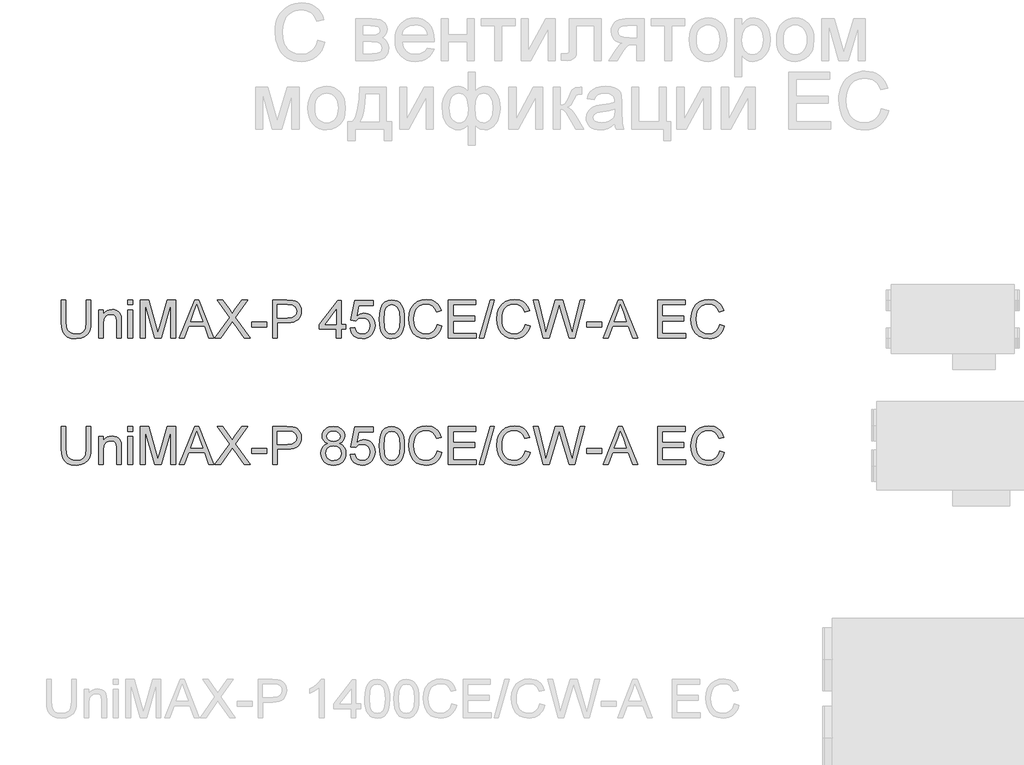
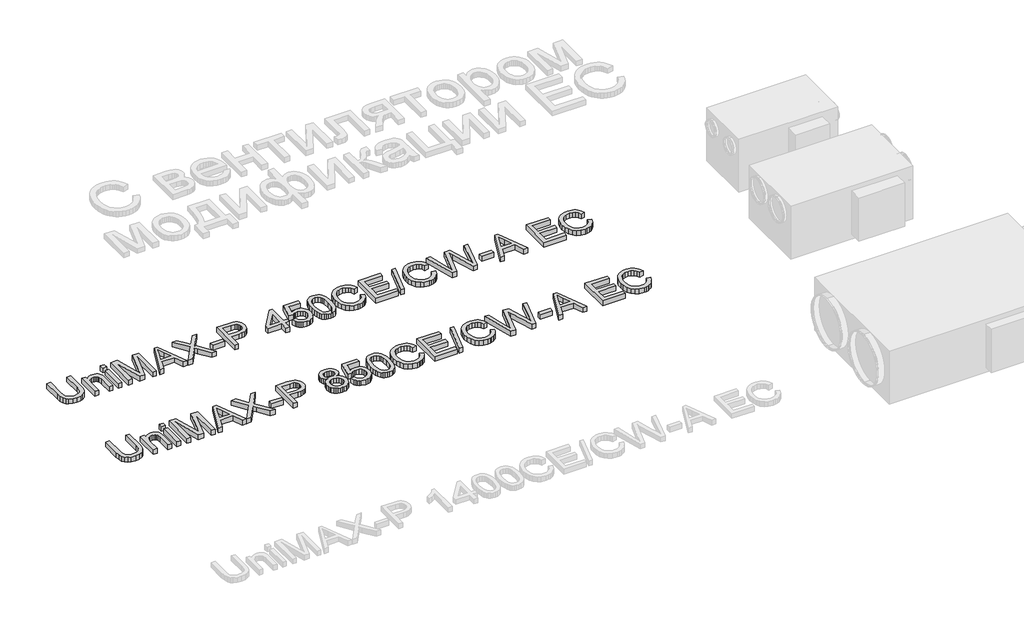
# One storey, part 9 of 74: 2 proxies.
"""IFC4 building model written with IfcOpenShell, lengths in millimetres."""

from ifc_helpers import new_model, si_unit, origin, origin_with_axes, place, context, project, spatial, polyline, outline, extrude, element, save

model = new_model("IFC4")

# Units and contexts
model_context = context("Model", 3, world=origin())
ifc_project = project(units=[si_unit("LENGTHUNIT", "METRE", prefix="MILLI")], contexts=[model_context])

# Site, building, storey
site = spatial("IfcSite", under=ifc_project)
building = spatial("IfcBuilding", under=site)
storey = spatial("IfcBuildingStorey", under=building, Elevation=0.0)

# Proxies
placement = place(None, origin())
element("IfcBuildingElementProxy", 1, Name="Generic Models", at=placement, inside=storey, context=model_context, shape_type="SweptSolid", body=[
    extrude(outline(polyline([(34632.348332, -37731.9528304), (34670.0194483, -37731.9528304), (34670.0194483, -37905.8138613), (34667.4626684, -37946.5292011), (34659.7923288, -37977.8819441), (34645.4633251, -38002.0701853), (34622.9305529, -38021.2920196), (34592.1388299, -38033.8459926), (34553.0329738, -38038.0306503), (34514.7824434, -38034.3886186), (34484.2022526, -38023.4625233), (34461.2832043, -38005.6294436), (34446.0161015, -37981.2664585), (34437.4352539, -37948.5893403), (34434.5749714, -37905.8138613), (34434.5749714, -37731.9528304), (34472.2460877, -37731.9528304), (34472.2460877, -37904.4894861), (34474.1038918, -37938.3438267), (34479.677304, -37961.9158655), (34489.7756648, -37978.2406291), (34505.2083145, -37990.3531438), (34525.3314596, -37997.8579365), (34549.5013067, -38000.359534), (34587.8162165, -37995.4115212), (34602.1590158, -37989.2265052), (34613.2920447, -37980.5674827), (34621.6291704, -37968.3905887), (34627.5842602, -37951.6519579), (34632.348332, -37904.4894861), (34632.348332, -37731.9528304)])), origin_with_axes(), (0.0, 0.0, 1.0), 50.0),
    extrude(outline(polyline([(34731.2350123, -38033.3217608), (34731.2350123, -37812.0039525), (34768.9061286, -37812.0039525), (34768.9061286, -37842.9060401), (34781.9935306, -37827.3262376), (34797.7112888, -37816.1978072), (34816.0594033, -37809.520749), (34837.0378741, -37807.295063), (34855.6067178, -37809.0884877), (34872.6120631, -37814.4687619), (34886.793914, -37822.7645009), (34896.8922747, -37833.30432), (34908.186252, -37861.0058343), (34910.1728148, -37897.4261518), (34910.1728148, -38033.3217608), (34872.5016985, -38033.3217608), (34872.5016985, -37902.5029233), (34868.1606909, -37869.1728146), (34862.1550173, -37859.2491977), (34852.8200117, -37851.551267), (34840.8546498, -37846.6124512), (34826.9579075, -37844.9661793), (34804.8941848, -37848.6633933), (34786.0862178, -37859.7550355), (34778.5699288, -37868.8095311), (34773.2011509, -37881.1841617), (34768.9061286, -37915.8938279), (34768.9061286, -38033.3217608), (34731.2350123, -38033.3217608)])), origin_with_axes(), (0.0, 0.0, 1.0), 50.0),
    extrude(outline(polyline([(34961.9705997, -38033.3217608), (34961.9705997, -37812.0039525), (34999.641716, -37812.0039525), (34999.641716, -38033.3217608), (34961.9705997, -38033.3217608)])), origin_with_axes(), (0.0, 0.0, 1.0), 50.0),
    extrude(outline(polyline([(34961.9705997, -37769.6239467), (34961.9705997, -37731.9528304), (34999.641716, -37731.9528304), (34999.641716, -37769.6239467), (34961.9705997, -37769.6239467)])), origin_with_axes(), (0.0, 0.0, 1.0), 50.0),
    extrude(outline(polyline([(35060.85728, -38033.3217608), (35060.85728, -37731.9528304), (35125.6780875, -37731.9528304), (35187.3351099, -37944.3678944), (35199.7695214, -37988.734463), (35213.2340024, -37940.6890744), (35273.8609552, -37731.9528304), (35338.6817627, -37731.9528304), (35338.6817627, -38033.3217608), (35301.0106464, -38033.3217608), (35301.0106464, -37769.6239467), (35225.3005318, -38033.3217608), (35174.2385109, -38033.3217608), (35098.5283963, -37769.6239467), (35098.5283963, -38033.3217608), (35060.85728, -38033.3217608)])), origin_with_axes(), (0.0, 0.0, 1.0), 50.0),
    extrude(outline(polyline([(35369.5102739, -38033.3217608), (35489.8076864, -37731.9528304), (35521.8869963, -37731.9528304), (35642.1844088, -38033.3217608), (35602.3795769, -38033.3217608), (35567.8722457, -37939.14397), (35443.7488606, -37939.14397), (35409.3151058, -38033.3217608), (35369.5102739, -38033.3217608)]), holes=[polyline([(35457.5812236, -37901.4728537), (35554.1134591, -37901.4728537), (35526.9637679, -37827.3814199), (35505.8473414, -37769.6239467), (35487.0853596, -37820.9066968), (35457.5812236, -37901.4728537)])]), origin_with_axes(), (0.0, 0.0, 1.0), 50.0),
    extrude(outline(polyline([(35649.4684723, -38033.3217608), (35765.6456063, -37869.0992382), (35668.3040304, -37731.9528304), (35713.4799394, -37731.9528304), (35768.2943567, -37809.1344729), (35786.7620329, -37839.2272201), (35808.3934942, -37808.6194381), (35862.6193003, -37731.9528304), (35908.4573969, -37731.9528304), (35811.115821, -37869.5406965), (35927.292955, -38033.3217608), (35882.117046, -38033.3217608), (35804.7146742, -37924.1343846), (35788.6014428, -37901.4728537), (35770.8695307, -37926.3416766), (35695.3065689, -38033.3217608), (35649.4684723, -38033.3217608)])), origin_with_axes(), (0.0, 0.0, 1.0), 50.0),
    extrude(outline(polyline([(35941.4196236, -37943.8528596), (35941.4196236, -37906.1817433), (36059.1418621, -37906.1817433), (36059.1418621, -37943.8528596), (35941.4196236, -37943.8528596)])), origin_with_axes(), (0.0, 0.0, 1.0), 50.0),
    extrude(outline(polyline([(36106.2307575, -38033.3217608), (36106.2307575, -37731.9528304), (36217.9197312, -37731.9528304), (36262.9484874, -37734.8223099), (36283.0256473, -37740.18419), (36299.5527459, -37748.9121903), (36312.8608771, -37761.4017841), (36323.2811346, -37778.0484443), (36330.0133752, -37797.6841458), (36332.2574553, -37819.1408632), (36330.7422414, -37837.640729), (36326.1965995, -37854.6598698), (36318.6205296, -37870.1982856), (36308.0140318, -37884.2559764), (36293.4528026, -37895.9086386), (36274.0125384, -37904.2319687), (36249.6932393, -37909.2259668), (36220.4949052, -37910.8906328), (36143.9018738, -37910.8906328), (36143.9018738, -38033.3217608), (36106.2307575, -38033.3217608)]), holes=[polyline([(36143.9018738, -37873.2195165), (36222.7021972, -37873.2195165), (36256.1058823, -37869.7614257), (36278.178802, -37859.3871535), (36290.4844548, -37842.7404932), (36294.586339, -37820.4652384), (36292.1675149, -37803.5426666), (36284.9110425, -37789.2688452), (36273.7182328, -37778.5266909), (36259.4903967, -37772.1991206), (36221.8192804, -37769.6239467), (36143.9018738, -37769.6239467), (36143.9018738, -37873.2195165)])]), origin_with_axes(), (0.0, 0.0, 1.0), 50.0),
    extrude(outline(polyline([(36610.0819381, -38033.3217608), (36610.0819381, -37962.6884177), (36473.5241415, -37962.6884177), (36473.5241415, -37925.0173014), (36619.4997172, -37736.6617199), (36647.7530544, -37736.6617199), (36647.7530544, -37925.0173014), (36685.4241707, -37925.0173014), (36685.4241707, -37962.6884177), (36647.7530544, -37962.6884177), (36647.7530544, -38033.3217608), (36610.0819381, -38033.3217608)]), holes=[polyline([(36610.0819381, -37925.0173014), (36610.0819381, -37808.6194381), (36519.8772729, -37925.0173014), (36610.0819381, -37925.0173014)])]), origin_with_axes(), (0.0, 0.0, 1.0), 50.0),
    extrude(outline(polyline([(36718.3863975, -37953.2706387), (36756.0575138, -37948.5617491), (36762.9736953, -37971.1772948), (36775.0402247, -37987.3732996), (36792.2019198, -37997.1129754), (36814.4035982, -38000.359534), (36841.4061366, -37995.8437825), (36861.6396464, -37982.2965281), (36874.2763929, -37961.2812691), (36878.4886418, -37934.3615041), (36874.5431074, -37909.0144346), (36862.7065042, -37889.6270535), (36842.8868617, -37877.3214007), (36814.9922094, -37873.2195165), (36796.7176713, -37874.8565914), (36781.919618, -37879.767816), (36760.7664033, -37896.7639642), (36723.095287, -37892.0550747), (36756.0575138, -37736.6617199), (36902.0330895, -37736.6617199), (36902.0330895, -37774.3328362), (36786.518143, -37774.3328362), (36770.4049116, -37857.3270143), (36797.3154795, -37840.9930537), (36825.5136345, -37835.5484002), (36843.8594497, -37837.2360588), (36860.7107443, -37842.2990348), (36876.0675184, -37850.7373281), (36889.9297718, -37862.5509386), (36901.4053908, -37877.0178981), (36909.6022615, -37893.416238), (36914.5203839, -37911.7459584), (36916.1597581, -37932.0070593), (36910.255252, -37969.6781756), (36902.8746195, -37986.4719887), (36892.541734, -38001.9046384), (36876.8883551, -38017.7097686), (36858.623014, -38028.9991474), (36837.7457108, -38035.7727746), (36814.2564454, -38038.0306503), (36777.2567137, -38032.2273119), (36761.578043, -38024.9731388), (36747.7801689, -38014.8172964), (36736.2999514, -38002.2656226), (36727.5742503, -37987.823955), (36718.3863975, -37953.2706387)])), origin_with_axes(), (0.0, 0.0, 1.0), 50.0),
    extrude(outline(polyline([(36949.1219848, -37885.0653167), (36951.8902968, -37836.8267901), (36960.1952329, -37798.3555305), (36973.9540195, -37769.0629266), (36993.0838833, -37748.3603673), (37017.7227799, -37736.0547146), (37048.0086651, -37731.9528304), (37071.222019, -37734.3808515), (37092.0073518, -37741.664915), (37109.389776, -37753.5199123), (37122.3944046, -37769.6607349), (37132.2168538, -37789.9494269), (37140.0527403, -37814.2480327), (37145.1846942, -37845.104135), (37146.8953454, -37885.0653167), (37144.1546246, -37933.0279319), (37135.932462, -37971.407221), (37122.2564488, -38000.727416), (37103.1541762, -38021.5127488), (37078.4600973, -38033.9011749), (37048.0086651, -38038.0306503), (37027.2601206, -38036.2372256), (37008.8660209, -38030.8569514), (36992.8263659, -38021.8898278), (36979.1411556, -38009.3358547), (36966.0077684, -37986.6421341), (36956.6267775, -37958.3658043), (36950.998183, -37924.5068652), (36949.1219848, -37885.0653167)]), holes=[polyline([(36986.7931011, -37884.9917403), (36991.2076851, -37944.2483327), (36996.725915, -37964.5163314), (37004.4514369, -37978.5441317), (37024.1699118, -37994.9056835), (37048.0086651, -38000.359534), (37071.8474184, -37994.8872894), (37091.5658934, -37978.4705553), (37099.2914153, -37964.4197624), (37104.8096452, -37944.1563622), (37109.2242291, -37884.9917403), (37104.956798, -37827.0687202), (37099.6225091, -37806.8674001), (37092.1545046, -37792.5062068), (37072.4728178, -37775.3445117), (37047.5672067, -37769.6239467), (37023.9859709, -37774.66393), (37005.0400481, -37789.78388), (36997.0570088, -37805.4188648), (36991.3548379, -37826.4985031), (36986.7931011, -37884.9917403)])]), origin_with_axes(), (0.0, 0.0, 1.0), 50.0),
    extrude(outline(polyline([(37405.88427, -37926.1945238), (37443.5553864, -37935.9066085), (37436.1011774, -37959.3337938), (37426.1729621, -37979.8041276), (37413.7707403, -37997.3176098), (37398.8945121, -38011.8742405), (37381.8799699, -38023.3176698), (37363.0628058, -38031.4915479), (37342.44302, -38036.3958747), (37320.0206124, -38038.0306503), (37276.3254284, -38033.0826375), (37241.6249592, -38018.238599), (37215.0270909, -37994.0135696), (37195.6397098, -37960.9225842), (37183.8031066, -37922.0190632), (37179.8575722, -37880.3564272), (37184.3181414, -37836.4129229), (37197.699849, -37798.4658951), (37219.3037191, -37767.7201573), (37248.4307761, -37745.3805232), (37282.9748955, -37731.7780864), (37320.8299528, -37727.2439408), (37362.1339038, -37733.1116586), (37380.10264, -37740.4463059), (37396.28255, -37750.7148121), (37410.4069193, -37763.6458642), (37422.2090336, -37778.9681493), (37438.8464968, -37816.7864184), (37401.1753805, -37825.7627391), (37388.1155697, -37798.2911511), (37370.2732929, -37779.4463959), (37347.427821, -37768.5478918), (37319.3584248, -37764.9150571), (37287.0032033, -37768.943365), (37260.4237292, -37781.0282885), (37240.2545988, -37799.9006349), (37227.1304086, -37824.2912111), (37219.9291185, -37851.8639667), (37217.5286885, -37880.2828508), (37220.3705769, -37915.0844876), (37228.8962422, -37945.1772348), (37243.427581, -37969.4114612), (37264.2864901, -37986.6375356), (37289.2932687, -37996.9290344), (37316.268216, -38000.359534), (37347.7129296, -37995.6874327), (37373.9153247, -37981.6711287), (37393.698179, -37958.4577748), (37405.88427, -37926.1945238)])), origin_with_axes(), (0.0, 0.0, 1.0), 50.0),
    extrude(outline(polyline([(37495.3531713, -38033.3217608), (37495.3531713, -37731.9528304), (37711.96209, -37731.9528304), (37711.96209, -37769.6239467), (37533.0242876, -37769.6239467), (37533.0242876, -37859.0928479), (37702.544311, -37859.0928479), (37702.544311, -37896.7639642), (37533.0242876, -37896.7639642), (37533.0242876, -37995.6506445), (37716.6709796, -37995.6506445), (37716.6709796, -38033.3217608), (37495.3531713, -38033.3217608)])), origin_with_axes(), (0.0, 0.0, 1.0), 50.0),
    extrude(outline(polyline([(37740.2154273, -38033.3217608), (37824.975439, -37731.9528304), (37858.9677353, -37731.9528304), (37774.2077236, -38033.3217608), (37740.2154273, -38033.3217608)])), origin_with_axes(), (0.0, 0.0, 1.0), 50.0),
    extrude(outline(polyline([(38102.7999217, -37926.1945238), (38140.471038, -37935.9066085), (38133.0168291, -37959.3337938), (38123.0886137, -37979.8041276), (38110.686392, -37997.3176098), (38095.8101638, -38011.8742405), (38078.7956215, -38023.3176698), (38059.9784575, -38031.4915479), (38039.3586716, -38036.3958747), (38016.936264, -38038.0306503), (37973.2410801, -38033.0826375), (37938.5406109, -38018.238599), (37911.9427426, -37994.0135696), (37892.5553615, -37960.9225842), (37880.7187583, -37922.0190632), (37876.7732239, -37880.3564272), (37881.2337931, -37836.4129229), (37894.6155006, -37798.4658951), (37916.2193708, -37767.7201573), (37945.3464278, -37745.3805232), (37979.8905471, -37731.7780864), (38017.7456044, -37727.2439408), (38059.0495554, -37733.1116586), (38077.0182916, -37740.4463059), (38093.1982016, -37750.7148121), (38107.322571, -37763.6458642), (38119.1246852, -37778.9681493), (38135.7621485, -37816.7864184), (38098.0910322, -37825.7627391), (38085.0312213, -37798.2911511), (38067.1889446, -37779.4463959), (38044.3434727, -37768.5478918), (38016.2740764, -37764.9150571), (37983.918855, -37768.943365), (37957.3393808, -37781.0282885), (37937.1702504, -37799.9006349), (37924.0460603, -37824.2912111), (37916.8447702, -37851.8639667), (37914.4443402, -37880.2828508), (37917.2862286, -37915.0844876), (37925.8118938, -37945.1772348), (37940.3432326, -37969.4114612), (37961.2021418, -37986.6375356), (37986.2089204, -37996.9290344), (38013.1838677, -38000.359534), (38044.6285812, -37995.6874327), (38070.8309763, -37981.6711287), (38090.6138306, -37958.4577748), (38102.7999217, -37926.1945238)])), origin_with_axes(), (0.0, 0.0, 1.0), 50.0),
    extrude(outline(polyline([(38246.2003234, -38033.3217608), (38164.0154857, -37731.9528304), (38202.8638244, -37731.9528304), (38250.541331, -37930.0204966), (38265.2566108, -37991.1624842), (38281.0019602, -37937.0838309), (38340.7459962, -37731.9528304), (38396.7376359, -37731.9528304), (38440.1477113, -37880.6507328), (38458.7441461, -37935.8330321), (38472.4477505, -37991.1624842), (38486.7215719, -37931.7863301), (38534.8405368, -37731.9528304), (38573.6888755, -37731.9528304), (38491.4304614, -38033.3217608), (38451.1841711, -38033.3217608), (38378.9321473, -37800.8203398), (38368.8521806, -37768.3731479), (38357.5214152, -37807.4422158), (38291.670538, -38033.3217608), (38246.2003234, -38033.3217608)])), origin_with_axes(), (0.0, 0.0, 1.0), 50.0),
    extrude(outline(polyline([(38587.8155441, -37943.8528596), (38587.8155441, -37906.1817433), (38705.5377826, -37906.1817433), (38705.5377826, -37943.8528596), (38587.8155441, -37943.8528596)])), origin_with_axes(), (0.0, 0.0, 1.0), 50.0),
    extrude(outline(polyline([(38717.5307356, -38033.3217608), (38837.8281481, -37731.9528304), (38869.9074581, -37731.9528304), (38990.2048705, -38033.3217608), (38950.4000386, -38033.3217608), (38915.8927074, -37939.14397), (38791.7693223, -37939.14397), (38757.3355675, -38033.3217608), (38717.5307356, -38033.3217608)]), holes=[polyline([(38805.6016853, -37901.4728537), (38902.1339208, -37901.4728537), (38874.9842296, -37827.3814199), (38853.8678031, -37769.6239467), (38835.1058213, -37820.9066968), (38805.6016853, -37901.4728537)])]), origin_with_axes(), (0.0, 0.0, 1.0), 50.0),
    extrude(outline(polyline([(39148.1733992, -38033.3217608), (39148.1733992, -37731.9528304), (39364.782318, -37731.9528304), (39364.782318, -37769.6239467), (39185.8445155, -37769.6239467), (39185.8445155, -37859.0928479), (39355.3645389, -37859.0928479), (39355.3645389, -37896.7639642), (39185.8445155, -37896.7639642), (39185.8445155, -37995.6506445), (39369.4912075, -37995.6506445), (39369.4912075, -38033.3217608), (39148.1733992, -38033.3217608)])), origin_with_axes(), (0.0, 0.0, 1.0), 50.0),
    extrude(outline(polyline([(39637.8979112, -37926.1945238), (39675.5690275, -37935.9066085), (39668.1148186, -37959.3337938), (39658.1866032, -37979.8041276), (39645.7843815, -37997.3176098), (39630.9081533, -38011.8742405), (39613.893611, -38023.3176698), (39595.0764469, -38031.4915479), (39574.4566611, -38036.3958747), (39552.0342535, -38038.0306503), (39508.3390695, -38033.0826375), (39473.6386003, -38018.238599), (39447.0407321, -37994.0135696), (39427.6533509, -37960.9225842), (39415.8167477, -37922.0190632), (39411.8712133, -37880.3564272), (39416.3317825, -37836.4129229), (39429.7134901, -37798.4658951), (39451.3173603, -37767.7201573), (39480.4444172, -37745.3805232), (39514.9885366, -37731.7780864), (39552.8435939, -37727.2439408), (39594.1475449, -37733.1116586), (39612.1162811, -37740.4463059), (39628.2961911, -37750.7148121), (39642.4205605, -37763.6458642), (39654.2226747, -37778.9681493), (39670.8601379, -37816.7864184), (39633.1890216, -37825.7627391), (39620.1292108, -37798.2911511), (39602.286934, -37779.4463959), (39579.4414621, -37768.5478918), (39551.3720659, -37764.9150571), (39519.0168444, -37768.943365), (39492.4373703, -37781.0282885), (39472.2682399, -37799.9006349), (39459.1440497, -37824.2912111), (39451.9427597, -37851.8639667), (39449.5423297, -37880.2828508), (39452.3842181, -37915.0844876), (39460.9098833, -37945.1772348), (39475.4412221, -37969.4114612), (39496.3001312, -37986.6375356), (39521.3069099, -37996.9290344), (39548.2818572, -38000.359534), (39579.7265707, -37995.6874327), (39605.9289658, -37981.6711287), (39625.7118201, -37958.4577748), (39637.8979112, -37926.1945238)])), origin_with_axes(), (0.0, 0.0, 1.0), 50.0),
])
element("IfcBuildingElementProxy", 2, Name="Generic Models", at=placement, inside=storey, context=model_context, shape_type="SweptSolid", body=[
    extrude(outline(polyline([(34632.348332, -38731.9528304), (34670.0194483, -38731.9528304), (34670.0194483, -38905.8138613), (34667.4626684, -38946.5292011), (34659.7923288, -38977.8819441), (34645.4633251, -39002.0701853), (34622.9305529, -39021.2920196), (34592.1388299, -39033.8459926), (34553.0329738, -39038.0306503), (34514.7824434, -39034.3886186), (34484.2022526, -39023.4625233), (34461.2832043, -39005.6294436), (34446.0161015, -38981.2664585), (34437.4352539, -38948.5893403), (34434.5749714, -38905.8138613), (34434.5749714, -38731.9528304), (34472.2460877, -38731.9528304), (34472.2460877, -38904.4894861), (34474.1038918, -38938.3438267), (34479.677304, -38961.9158655), (34489.7756648, -38978.2406291), (34505.2083145, -38990.3531438), (34525.3314596, -38997.8579365), (34549.5013067, -39000.359534), (34587.8162165, -38995.4115212), (34602.1590158, -38989.2265052), (34613.2920447, -38980.5674827), (34621.6291704, -38968.3905887), (34627.5842602, -38951.6519579), (34632.348332, -38904.4894861), (34632.348332, -38731.9528304)])), origin_with_axes(), (0.0, 0.0, 1.0), 50.0),
    extrude(outline(polyline([(34731.2350123, -39033.3217608), (34731.2350123, -38812.0039525), (34768.9061286, -38812.0039525), (34768.9061286, -38842.9060401), (34781.9935306, -38827.3262376), (34797.7112888, -38816.1978072), (34816.0594033, -38809.520749), (34837.0378741, -38807.295063), (34855.6067178, -38809.0884877), (34872.6120631, -38814.4687619), (34886.793914, -38822.7645009), (34896.8922747, -38833.30432), (34908.186252, -38861.0058343), (34910.1728148, -38897.4261518), (34910.1728148, -39033.3217608), (34872.5016985, -39033.3217608), (34872.5016985, -38902.5029233), (34868.1606909, -38869.1728146), (34862.1550173, -38859.2491977), (34852.8200117, -38851.551267), (34840.8546498, -38846.6124512), (34826.9579075, -38844.9661793), (34804.8941848, -38848.6633933), (34786.0862178, -38859.7550355), (34778.5699288, -38868.8095311), (34773.2011509, -38881.1841617), (34768.9061286, -38915.8938279), (34768.9061286, -39033.3217608), (34731.2350123, -39033.3217608)])), origin_with_axes(), (0.0, 0.0, 1.0), 50.0),
    extrude(outline(polyline([(34961.9705997, -39033.3217608), (34961.9705997, -38812.0039525), (34999.641716, -38812.0039525), (34999.641716, -39033.3217608), (34961.9705997, -39033.3217608)])), origin_with_axes(), (0.0, 0.0, 1.0), 50.0),
    extrude(outline(polyline([(34961.9705997, -38769.6239467), (34961.9705997, -38731.9528304), (34999.641716, -38731.9528304), (34999.641716, -38769.6239467), (34961.9705997, -38769.6239467)])), origin_with_axes(), (0.0, 0.0, 1.0), 50.0),
    extrude(outline(polyline([(35060.85728, -39033.3217608), (35060.85728, -38731.9528304), (35125.6780875, -38731.9528304), (35187.3351099, -38944.3678944), (35199.7695214, -38988.734463), (35213.2340024, -38940.6890744), (35273.8609552, -38731.9528304), (35338.6817627, -38731.9528304), (35338.6817627, -39033.3217608), (35301.0106464, -39033.3217608), (35301.0106464, -38769.6239467), (35225.3005318, -39033.3217608), (35174.2385109, -39033.3217608), (35098.5283963, -38769.6239467), (35098.5283963, -39033.3217608), (35060.85728, -39033.3217608)])), origin_with_axes(), (0.0, 0.0, 1.0), 50.0),
    extrude(outline(polyline([(35369.5102739, -39033.3217608), (35489.8076864, -38731.9528304), (35521.8869963, -38731.9528304), (35642.1844088, -39033.3217608), (35602.3795769, -39033.3217608), (35567.8722457, -38939.14397), (35443.7488606, -38939.14397), (35409.3151058, -39033.3217608), (35369.5102739, -39033.3217608)]), holes=[polyline([(35457.5812236, -38901.4728537), (35554.1134591, -38901.4728537), (35526.9637679, -38827.3814199), (35505.8473414, -38769.6239467), (35487.0853596, -38820.9066968), (35457.5812236, -38901.4728537)])]), origin_with_axes(), (0.0, 0.0, 1.0), 50.0),
    extrude(outline(polyline([(35649.4684723, -39033.3217608), (35765.6456063, -38869.0992382), (35668.3040304, -38731.9528304), (35713.4799394, -38731.9528304), (35768.2943567, -38809.1344729), (35786.7620329, -38839.2272201), (35808.3934942, -38808.6194381), (35862.6193003, -38731.9528304), (35908.4573969, -38731.9528304), (35811.115821, -38869.5406965), (35927.292955, -39033.3217608), (35882.117046, -39033.3217608), (35804.7146742, -38924.1343846), (35788.6014428, -38901.4728537), (35770.8695307, -38926.3416766), (35695.3065689, -39033.3217608), (35649.4684723, -39033.3217608)])), origin_with_axes(), (0.0, 0.0, 1.0), 50.0),
    extrude(outline(polyline([(35941.4196236, -38943.8528596), (35941.4196236, -38906.1817433), (36059.1418621, -38906.1817433), (36059.1418621, -38943.8528596), (35941.4196236, -38943.8528596)])), origin_with_axes(), (0.0, 0.0, 1.0), 50.0),
    extrude(outline(polyline([(36106.2307575, -39033.3217608), (36106.2307575, -38731.9528304), (36217.9197312, -38731.9528304), (36262.9484874, -38734.8223099), (36283.0256473, -38740.18419), (36299.5527459, -38748.9121903), (36312.8608771, -38761.4017841), (36323.2811346, -38778.0484443), (36330.0133752, -38797.6841458), (36332.2574553, -38819.1408632), (36330.7422414, -38837.640729), (36326.1965995, -38854.6598698), (36318.6205296, -38870.1982856), (36308.0140318, -38884.2559764), (36293.4528026, -38895.9086386), (36274.0125384, -38904.2319687), (36249.6932393, -38909.2259668), (36220.4949052, -38910.8906328), (36143.9018738, -38910.8906328), (36143.9018738, -39033.3217608), (36106.2307575, -39033.3217608)]), holes=[polyline([(36143.9018738, -38873.2195165), (36222.7021972, -38873.2195165), (36256.1058823, -38869.7614257), (36278.178802, -38859.3871535), (36290.4844548, -38842.7404932), (36294.586339, -38820.4652384), (36292.1675149, -38803.5426666), (36284.9110425, -38789.2688452), (36273.7182328, -38778.5266909), (36259.4903967, -38772.1991206), (36221.8192804, -38769.6239467), (36143.9018738, -38769.6239467), (36143.9018738, -38873.2195165)])]), origin_with_axes(), (0.0, 0.0, 1.0), 50.0),
    extrude(outline(polyline([(36542.5388038, -38867.3334046), (36522.3696734, -38857.4005907), (36508.2154136, -38843.9361097), (36499.8552953, -38827.215873), (36497.0685892, -38807.5157922), (36498.5861024, -38792.1521203), (36503.1386421, -38778.0668384), (36510.7262082, -38765.2599465), (36521.3488008, -38753.7314445), (36534.4959836, -38744.2033008), (36549.6573204, -38737.3974839), (36586.0224556, -38731.9528304), (36622.60832, -38737.5262426), (36637.9352036, -38744.4930079), (36651.2847215, -38754.2464793), (36662.1004522, -38766.000309), (36669.8259741, -38778.9681493), (36674.4612872, -38793.1500003), (36676.0063916, -38808.5458617), (36673.2564737, -38827.6113461), (36665.00672, -38844.0464743), (36651.1651599, -38857.4281819), (36631.639823, -38867.3334046), (36654.8255857, -38879.2803724), (36671.7021723, -38896.8743288), (36681.9936711, -38919.2691452), (36685.4241707, -38945.6186932), (36683.7227165, -38964.4082661), (36678.6183538, -38981.6343405), (36670.1110826, -38997.2969164), (36658.200903, -39011.3959939), (36643.5132144, -39023.0486561), (36626.6734161, -39031.3719862), (36607.6815081, -39036.3659843), (36586.5374904, -39038.0306503), (36565.3934727, -39036.3590865), (36546.4015647, -39031.3443951), (36529.5617664, -39022.986576), (36514.8740777, -39011.2856293), (36502.9638981, -38997.0876835), (36494.456627, -38981.2388673), (36489.3522643, -38963.7391807), (36487.6508101, -38944.5886236), (36491.2192654, -38917.2182031), (36501.9246315, -38894.703825), (36519.2150853, -38877.8180414), (36542.5388038, -38867.3334046)]), holes=[polyline([(36525.3219264, -38943.2642484), (36531.6127085, -38971.6279502), (36540.3223147, -38983.7956472), (36553.8695692, -38992.8547413), (36570.0931652, -38998.4833359), (36586.831796, -39000.359534), (36612.473171, -38996.4139996), (36631.7133994, -38984.5773964), (36643.7431406, -38966.6523462), (36647.7530544, -38944.4414708), (36643.6143819, -38921.8535163), (36631.1983646, -38903.5329929), (36611.5166779, -38891.3928871), (36585.5809972, -38887.3461851), (36560.2983071, -38891.3377048), (36541.2512168, -38903.3122637), (36529.304249, -38921.2832992), (36525.3219264, -38943.2642484)]), polyline([(36534.7397055, -38808.6194381), (36538.0782346, -38825.0637633), (36548.0938219, -38838.1971506), (36564.4921618, -38846.8055892), (36586.9789488, -38849.6750688), (36608.9415039, -38846.8239833), (36625.0915235, -38838.270727), (36635.0243374, -38825.5787981), (36638.3352753, -38810.3116953), (36634.9139728, -38794.4651784), (36624.6500651, -38781.3593823), (36608.2793163, -38772.5578056), (36586.5374904, -38769.6239467), (36564.6577087, -38772.4934262), (36548.3145511, -38781.1018649), (36538.1334169, -38793.7202173), (36534.7397055, -38808.6194381)])]), origin_with_axes(), (0.0, 0.0, 1.0), 50.0),
    extrude(outline(polyline([(36718.3863975, -38953.2706387), (36756.0575138, -38948.5617491), (36762.9736953, -38971.1772948), (36775.0402247, -38987.3732996), (36792.2019198, -38997.1129754), (36814.4035982, -39000.359534), (36841.4061366, -38995.8437825), (36861.6396464, -38982.2965281), (36874.2763929, -38961.2812691), (36878.4886418, -38934.3615041), (36874.5431074, -38909.0144346), (36862.7065042, -38889.6270535), (36842.8868617, -38877.3214007), (36814.9922094, -38873.2195165), (36796.7176713, -38874.8565914), (36781.919618, -38879.767816), (36760.7664033, -38896.7639642), (36723.095287, -38892.0550747), (36756.0575138, -38736.6617199), (36902.0330895, -38736.6617199), (36902.0330895, -38774.3328362), (36786.518143, -38774.3328362), (36770.4049116, -38857.3270143), (36797.3154795, -38840.9930537), (36825.5136345, -38835.5484002), (36843.8594497, -38837.2360588), (36860.7107443, -38842.2990348), (36876.0675184, -38850.7373281), (36889.9297718, -38862.5509386), (36901.4053908, -38877.0178981), (36909.6022615, -38893.416238), (36914.5203839, -38911.7459584), (36916.1597581, -38932.0070593), (36910.255252, -38969.6781756), (36902.8746195, -38986.4719887), (36892.541734, -39001.9046384), (36876.8883551, -39017.7097686), (36858.623014, -39028.9991474), (36837.7457108, -39035.7727746), (36814.2564454, -39038.0306503), (36777.2567137, -39032.2273119), (36761.578043, -39024.9731388), (36747.7801689, -39014.8172964), (36736.2999514, -39002.2656226), (36727.5742503, -38987.823955), (36718.3863975, -38953.2706387)])), origin_with_axes(), (0.0, 0.0, 1.0), 50.0),
    extrude(outline(polyline([(36949.1219848, -38885.0653167), (36951.8902968, -38836.8267901), (36960.1952329, -38798.3555305), (36973.9540195, -38769.0629266), (36993.0838833, -38748.3603673), (37017.7227799, -38736.0547146), (37048.0086651, -38731.9528304), (37071.222019, -38734.3808515), (37092.0073518, -38741.664915), (37109.389776, -38753.5199123), (37122.3944046, -38769.6607349), (37132.2168538, -38789.9494269), (37140.0527403, -38814.2480327), (37145.1846942, -38845.104135), (37146.8953454, -38885.0653167), (37144.1546246, -38933.0279319), (37135.932462, -38971.407221), (37122.2564488, -39000.727416), (37103.1541762, -39021.5127488), (37078.4600973, -39033.9011749), (37048.0086651, -39038.0306503), (37027.2601206, -39036.2372256), (37008.8660209, -39030.8569514), (36992.8263659, -39021.8898278), (36979.1411556, -39009.3358547), (36966.0077684, -38986.6421341), (36956.6267775, -38958.3658043), (36950.998183, -38924.5068652), (36949.1219848, -38885.0653167)]), holes=[polyline([(36986.7931011, -38884.9917403), (36991.2076851, -38944.2483327), (36996.725915, -38964.5163314), (37004.4514369, -38978.5441317), (37024.1699118, -38994.9056835), (37048.0086651, -39000.359534), (37071.8474184, -38994.8872894), (37091.5658934, -38978.4705553), (37099.2914153, -38964.4197624), (37104.8096452, -38944.1563622), (37109.2242291, -38884.9917403), (37104.956798, -38827.0687202), (37099.6225091, -38806.8674001), (37092.1545046, -38792.5062068), (37072.4728178, -38775.3445117), (37047.5672067, -38769.6239467), (37023.9859709, -38774.66393), (37005.0400481, -38789.78388), (36997.0570088, -38805.4188648), (36991.3548379, -38826.4985031), (36986.7931011, -38884.9917403)])]), origin_with_axes(), (0.0, 0.0, 1.0), 50.0),
    extrude(outline(polyline([(37405.88427, -38926.1945238), (37443.5553864, -38935.9066085), (37436.1011774, -38959.3337938), (37426.1729621, -38979.8041276), (37413.7707403, -38997.3176098), (37398.8945121, -39011.8742405), (37381.8799699, -39023.3176698), (37363.0628058, -39031.4915479), (37342.44302, -39036.3958747), (37320.0206124, -39038.0306503), (37276.3254284, -39033.0826375), (37241.6249592, -39018.238599), (37215.0270909, -38994.0135696), (37195.6397098, -38960.9225842), (37183.8031066, -38922.0190632), (37179.8575722, -38880.3564272), (37184.3181414, -38836.4129229), (37197.699849, -38798.4658951), (37219.3037191, -38767.7201573), (37248.4307761, -38745.3805232), (37282.9748955, -38731.7780864), (37320.8299528, -38727.2439408), (37362.1339038, -38733.1116586), (37380.10264, -38740.4463059), (37396.28255, -38750.7148121), (37410.4069193, -38763.6458642), (37422.2090336, -38778.9681493), (37438.8464968, -38816.7864184), (37401.1753805, -38825.7627391), (37388.1155697, -38798.2911511), (37370.2732929, -38779.4463959), (37347.427821, -38768.5478918), (37319.3584248, -38764.9150571), (37287.0032033, -38768.943365), (37260.4237292, -38781.0282885), (37240.2545988, -38799.9006349), (37227.1304086, -38824.2912111), (37219.9291185, -38851.8639667), (37217.5286885, -38880.2828508), (37220.3705769, -38915.0844876), (37228.8962422, -38945.1772348), (37243.427581, -38969.4114612), (37264.2864901, -38986.6375356), (37289.2932687, -38996.9290344), (37316.268216, -39000.359534), (37347.7129296, -38995.6874327), (37373.9153247, -38981.6711287), (37393.698179, -38958.4577748), (37405.88427, -38926.1945238)])), origin_with_axes(), (0.0, 0.0, 1.0), 50.0),
    extrude(outline(polyline([(37495.3531713, -39033.3217608), (37495.3531713, -38731.9528304), (37711.96209, -38731.9528304), (37711.96209, -38769.6239467), (37533.0242876, -38769.6239467), (37533.0242876, -38859.0928479), (37702.544311, -38859.0928479), (37702.544311, -38896.7639642), (37533.0242876, -38896.7639642), (37533.0242876, -38995.6506445), (37716.6709796, -38995.6506445), (37716.6709796, -39033.3217608), (37495.3531713, -39033.3217608)])), origin_with_axes(), (0.0, 0.0, 1.0), 50.0),
    extrude(outline(polyline([(37740.2154273, -39033.3217608), (37824.975439, -38731.9528304), (37858.9677353, -38731.9528304), (37774.2077236, -39033.3217608), (37740.2154273, -39033.3217608)])), origin_with_axes(), (0.0, 0.0, 1.0), 50.0),
    extrude(outline(polyline([(38102.7999217, -38926.1945238), (38140.471038, -38935.9066085), (38133.0168291, -38959.3337938), (38123.0886137, -38979.8041276), (38110.686392, -38997.3176098), (38095.8101638, -39011.8742405), (38078.7956215, -39023.3176698), (38059.9784575, -39031.4915479), (38039.3586716, -39036.3958747), (38016.936264, -39038.0306503), (37973.2410801, -39033.0826375), (37938.5406109, -39018.238599), (37911.9427426, -38994.0135696), (37892.5553615, -38960.9225842), (37880.7187583, -38922.0190632), (37876.7732239, -38880.3564272), (37881.2337931, -38836.4129229), (37894.6155006, -38798.4658951), (37916.2193708, -38767.7201573), (37945.3464278, -38745.3805232), (37979.8905471, -38731.7780864), (38017.7456044, -38727.2439408), (38059.0495554, -38733.1116586), (38077.0182916, -38740.4463059), (38093.1982016, -38750.7148121), (38107.322571, -38763.6458642), (38119.1246852, -38778.9681493), (38135.7621485, -38816.7864184), (38098.0910322, -38825.7627391), (38085.0312213, -38798.2911511), (38067.1889446, -38779.4463959), (38044.3434727, -38768.5478918), (38016.2740764, -38764.9150571), (37983.918855, -38768.943365), (37957.3393808, -38781.0282885), (37937.1702504, -38799.9006349), (37924.0460603, -38824.2912111), (37916.8447702, -38851.8639667), (37914.4443402, -38880.2828508), (37917.2862286, -38915.0844876), (37925.8118938, -38945.1772348), (37940.3432326, -38969.4114612), (37961.2021418, -38986.6375356), (37986.2089204, -38996.9290344), (38013.1838677, -39000.359534), (38044.6285812, -38995.6874327), (38070.8309763, -38981.6711287), (38090.6138306, -38958.4577748), (38102.7999217, -38926.1945238)])), origin_with_axes(), (0.0, 0.0, 1.0), 50.0),
    extrude(outline(polyline([(38246.2003234, -39033.3217608), (38164.0154857, -38731.9528304), (38202.8638244, -38731.9528304), (38250.541331, -38930.0204966), (38265.2566108, -38991.1624842), (38281.0019602, -38937.0838309), (38340.7459962, -38731.9528304), (38396.7376359, -38731.9528304), (38440.1477113, -38880.6507328), (38458.7441461, -38935.8330321), (38472.4477505, -38991.1624842), (38486.7215719, -38931.7863301), (38534.8405368, -38731.9528304), (38573.6888755, -38731.9528304), (38491.4304614, -39033.3217608), (38451.1841711, -39033.3217608), (38378.9321473, -38800.8203398), (38368.8521806, -38768.3731479), (38357.5214152, -38807.4422158), (38291.670538, -39033.3217608), (38246.2003234, -39033.3217608)])), origin_with_axes(), (0.0, 0.0, 1.0), 50.0),
    extrude(outline(polyline([(38587.8155441, -38943.8528596), (38587.8155441, -38906.1817433), (38705.5377826, -38906.1817433), (38705.5377826, -38943.8528596), (38587.8155441, -38943.8528596)])), origin_with_axes(), (0.0, 0.0, 1.0), 50.0),
    extrude(outline(polyline([(38717.5307356, -39033.3217608), (38837.8281481, -38731.9528304), (38869.9074581, -38731.9528304), (38990.2048705, -39033.3217608), (38950.4000386, -39033.3217608), (38915.8927074, -38939.14397), (38791.7693223, -38939.14397), (38757.3355675, -39033.3217608), (38717.5307356, -39033.3217608)]), holes=[polyline([(38805.6016853, -38901.4728537), (38902.1339208, -38901.4728537), (38874.9842296, -38827.3814199), (38853.8678031, -38769.6239467), (38835.1058213, -38820.9066968), (38805.6016853, -38901.4728537)])]), origin_with_axes(), (0.0, 0.0, 1.0), 50.0),
    extrude(outline(polyline([(39148.1733992, -39033.3217608), (39148.1733992, -38731.9528304), (39364.782318, -38731.9528304), (39364.782318, -38769.6239467), (39185.8445155, -38769.6239467), (39185.8445155, -38859.0928479), (39355.3645389, -38859.0928479), (39355.3645389, -38896.7639642), (39185.8445155, -38896.7639642), (39185.8445155, -38995.6506445), (39369.4912075, -38995.6506445), (39369.4912075, -39033.3217608), (39148.1733992, -39033.3217608)])), origin_with_axes(), (0.0, 0.0, 1.0), 50.0),
    extrude(outline(polyline([(39637.8979112, -38926.1945238), (39675.5690275, -38935.9066085), (39668.1148186, -38959.3337938), (39658.1866032, -38979.8041276), (39645.7843815, -38997.3176098), (39630.9081533, -39011.8742405), (39613.893611, -39023.3176698), (39595.0764469, -39031.4915479), (39574.4566611, -39036.3958747), (39552.0342535, -39038.0306503), (39508.3390695, -39033.0826375), (39473.6386003, -39018.238599), (39447.0407321, -38994.0135696), (39427.6533509, -38960.9225842), (39415.8167477, -38922.0190632), (39411.8712133, -38880.3564272), (39416.3317825, -38836.4129229), (39429.7134901, -38798.4658951), (39451.3173603, -38767.7201573), (39480.4444172, -38745.3805232), (39514.9885366, -38731.7780864), (39552.8435939, -38727.2439408), (39594.1475449, -38733.1116586), (39612.1162811, -38740.4463059), (39628.2961911, -38750.7148121), (39642.4205605, -38763.6458642), (39654.2226747, -38778.9681493), (39670.8601379, -38816.7864184), (39633.1890216, -38825.7627391), (39620.1292108, -38798.2911511), (39602.286934, -38779.4463959), (39579.4414621, -38768.5478918), (39551.3720659, -38764.9150571), (39519.0168444, -38768.943365), (39492.4373703, -38781.0282885), (39472.2682399, -38799.9006349), (39459.1440497, -38824.2912111), (39451.9427597, -38851.8639667), (39449.5423297, -38880.2828508), (39452.3842181, -38915.0844876), (39460.9098833, -38945.1772348), (39475.4412221, -38969.4114612), (39496.3001312, -38986.6375356), (39521.3069099, -38996.9290344), (39548.2818572, -39000.359534), (39579.7265707, -38995.6874327), (39605.9289658, -38981.6711287), (39625.7118201, -38958.4577748), (39637.8979112, -38926.1945238)])), origin_with_axes(), (0.0, 0.0, 1.0), 50.0),
])

save(model, "model.ifc")
